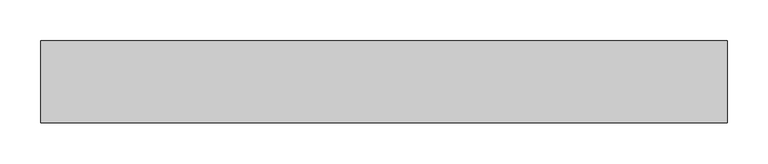
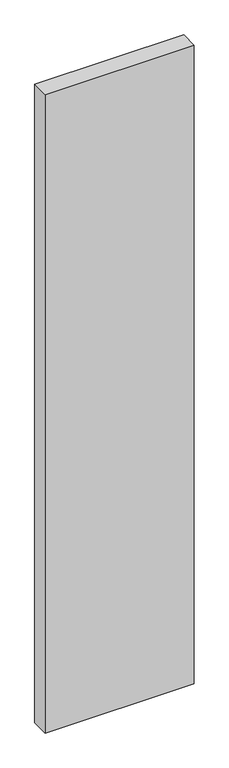
"""IFC4 building model written with IfcOpenShell, lengths in millimetres: proxy geometry."""

import ifcopenshell
import ifcopenshell.guid

model = None  # the IFC model being written
_history = None  # IfcOwnerHistory: only IFC2X3 demands one
_inside = {}  # id of a spatial element -> (the spatial element, [elements in it])
_under = {}  # id of a project, library or spatial element -> (it, [spatial elements below it])
_declared = {}  # id of a project -> (the project, [libraries it declares])
_typed = {}  # id of a type object -> (the type object, [elements of that type])
_made_of = {}  # id of a material, layer set ... -> (it, [elements and type objects made of it])


def new_model(schema):
    """Start an empty IFC model of exactly this schema.

    Asked for "IFC4X3", IfcOpenShell would pick the latest addendum, in which some entities
    have other attributes; the version numbers below select the first issue.
    IFC2X3 requires an IfcOwnerHistory on every rooted entity: one is made here for all.
    """
    global model, _history
    if schema == "IFC4X3":
        model = ifcopenshell.file(schema_version=(4, 3, 0, 0))
    else:
        model = ifcopenshell.file(schema=schema)
    _inside.clear()
    _under.clear()
    _declared.clear()
    _typed.clear()
    _made_of.clear()
    _history = None
    if model.schema == "IFC2X3":
        org = make("IfcOrganization", Name="unknown")
        user = make(
            "IfcPersonAndOrganization",
            ThePerson=make("IfcPerson", FamilyName="unknown"),
            TheOrganization=org,
        )
        app = make(
            "IfcApplication",
            ApplicationDeveloper=org,
            Version="unknown",
            ApplicationFullName="unknown",
            ApplicationIdentifier="unknown",
        )
        _history = make(
            "IfcOwnerHistory",
            OwningUser=user,
            OwningApplication=app,
            ChangeAction="ADDED",
            CreationDate=0,
        )
    return model


def make(cls, **values):
    """One entity of the class cls with the attributes given. An attribute that is None is left unset."""
    return model.create_entity(
        cls, **{name: value for name, value in values.items() if value is not None}
    )


def rooted(cls, **values):
    """An entity with a GlobalId (a new one), such as an element, a storey or a relation."""
    return make(cls, GlobalId=ifcopenshell.guid.new(), OwnerHistory=_history, **values)


def si_unit(unit_type, name, prefix=None):
    """IfcSIUnit, for example si_unit("LENGTHUNIT", "METRE", prefix="MILLI")."""
    return make("IfcSIUnit", UnitType=unit_type, Prefix=prefix, Name=name)


def assignment(units):
    """IfcUnitAssignment: the units of a project."""
    return None if units is None else make("IfcUnitAssignment", Units=units)


def point(xyz):
    """IfcCartesianPoint."""
    return None if xyz is None else make("IfcCartesianPoint", Coordinates=xyz)


def direction(xyz):
    """IfcDirection."""
    return None if xyz is None else make("IfcDirection", DirectionRatios=xyz)


def frame(location, z_axis=None, x_axis=None):
    """IfcAxis2Placement3D, a coordinate frame: its origin and axes. An axis left out is left unset."""
    return make(
        "IfcAxis2Placement3D",
        Location=point(location),
        Axis=direction(z_axis),
        RefDirection=direction(x_axis),
    )


def origin():
    """The frame at (0, 0, 0) with its axes left unset."""
    return frame((0.0, 0.0, 0.0))


def place(relative_to, where):
    """IfcLocalPlacement: puts the frame where relative to a parent placement (None: the world)."""
    return make(
        "IfcLocalPlacement", PlacementRelTo=relative_to, RelativePlacement=where
    )


def context(
    kind, dimensions, precision=None, world=None, true_north=None, identifier=None
):
    """IfcGeometricRepresentationContext, for example the 3D "Model" context."""
    return make(
        "IfcGeometricRepresentationContext",
        ContextIdentifier=identifier,
        ContextType=kind,
        CoordinateSpaceDimension=dimensions,
        Precision=precision,
        WorldCoordinateSystem=world,
        TrueNorth=true_north,
    )


def project(units=None, contexts=None):
    """IfcProject with its units and contexts."""
    return rooted(
        "IfcProject",
        Name="project",
        RepresentationContexts=contexts,
        UnitsInContext=assignment(units),
    )


def spatial(cls, under=None, at=None, **own):
    """A site, building, storey or space (cls), placed at a placement, below another one or the project."""
    s = rooted(cls, ObjectPlacement=at, **own)
    if under is not None:
        _under.setdefault(under.id(), (under, []))[1].append(s)
    return s


def polyline(points):
    """IfcPolyline through the points."""
    return make("IfcPolyline", Points=[point(p) for p in points])


def outline(outer, holes=None, kind="AREA"):
    """IfcArbitraryClosedProfileDef: a profile drawn as a closed curve; with holes, ...WithVoids."""
    if holes is None:
        return make("IfcArbitraryClosedProfileDef", ProfileType=kind, OuterCurve=outer)
    return make(
        "IfcArbitraryProfileDefWithVoids",
        ProfileType=kind,
        OuterCurve=outer,
        InnerCurves=holes,
    )


def extrude(swept, where, along, depth):
    """IfcExtrudedAreaSolid: the profile swept, set in the frame where, extruded along a direction by depth."""
    return make(
        "IfcExtrudedAreaSolid",
        SweptArea=swept,
        Position=where,
        ExtrudedDirection=direction(along),
        Depth=depth,
    )


def shape(context_of_items, identifier, shape_type, items):
    """IfcShapeRepresentation: the items that make up one representation, for example the "Body"."""
    return make(
        "IfcShapeRepresentation",
        ContextOfItems=context_of_items,
        RepresentationIdentifier=identifier,
        RepresentationType=shape_type,
        Items=items,
    )


def source(mapping_origin, context_of_items, identifier, shape_type, items):
    """IfcRepresentationMap: a shape defined once, which mapped items show again and again."""
    return make(
        "IfcRepresentationMap",
        MappingOrigin=mapping_origin,
        MappedRepresentation=shape(context_of_items, identifier, shape_type, items),
    )


def transform(
    local_origin,
    x_axis=None,
    y_axis=None,
    z_axis=None,
    scale=None,
    scale2=None,
    scale3=None,
    uniform=True,
):
    """IfcCartesianTransformationOperator3D, or its non-uniform kind. x_axis, y_axis, z_axis: its Axis1, 2, 3."""
    if uniform:
        return make(
            "IfcCartesianTransformationOperator3D",
            Axis1=direction(x_axis),
            Axis2=direction(y_axis),
            LocalOrigin=point(local_origin),
            Scale=scale,
            Axis3=direction(z_axis),
        )
    return make(
        "IfcCartesianTransformationOperator3DnonUniform",
        Axis1=direction(x_axis),
        Axis2=direction(y_axis),
        LocalOrigin=point(local_origin),
        Scale=scale,
        Axis3=direction(z_axis),
        Scale2=scale2,
        Scale3=scale3,
    )


def mapped(mapping_source, mapping_target):
    """IfcMappedItem: shows the shape of a source again, moved by a transform."""
    return make(
        "IfcMappedItem", MappingSource=mapping_source, MappingTarget=mapping_target
    )


def made_of(thing, what):
    """Note that an element or type object is made of a material, layer set ...; save() writes the relation."""
    if what is not None:
        _made_of.setdefault(what.id(), (what, []))[1].append(thing)
    return thing


def element(
    cls,
    number,
    at=None,
    inside=None,
    cuts=None,
    type_object=None,
    material=None,
    context=None,
    identifier="Body",
    shape_type=None,
    held_by="IfcProductDefinitionShape",
    body=None,
    shapes=None,
    **own,
):
    """One element of the class cls, such as IfcWall. Its Tag is "e" and its number.

    at: its placement. inside: the storey or other place that contains it. cuts: it is an
    opening in that element (IfcRelVoidsElement). A single representation is given by context,
    identifier, shape_type and body (its items); several are given by shapes. held_by: the class
    of the entity that holds the representations. save() writes the other relations.
    """
    e = rooted(cls, Tag="e%d" % number, ObjectPlacement=at, **own)
    if body is not None:
        shapes = [shape(context, identifier, shape_type, body)]
    if shapes is not None:
        e.Representation = make(held_by, Representations=shapes)
    if inside is not None:
        _inside.setdefault(inside.id(), (inside, []))[1].append(e)
    if cuts is not None:
        rooted(
            "IfcRelVoidsElement", RelatingBuildingElement=cuts, RelatedOpeningElement=e
        )
    if type_object is not None:
        _typed.setdefault(type_object.id(), (type_object, []))[1].append(e)
    return made_of(e, material)


def aggregate(whole, parts):
    """IfcRelAggregates: a whole, such as a stair, and the parts it consists of."""
    return rooted("IfcRelAggregates", RelatingObject=whole, RelatedObjects=parts)


def save(model, path):
    """Write the relations noted so far, then the file.

    IfcRelAggregates (storeys below a building ...), IfcRelContainedInSpatialStructure (elements
    in a storey), IfcRelDefinesByType, IfcRelAssociatesMaterial and IfcRelDeclares: one each for
    every whole, place, type object, material and project.
    """
    for whole, parts in _under.values():
        aggregate(whole, parts)
    for where, things in _inside.values():
        rooted(
            "IfcRelContainedInSpatialStructure",
            RelatedElements=things,
            RelatingStructure=where,
        )
    for kind, things in _typed.values():
        rooted("IfcRelDefinesByType", RelatedObjects=things, RelatingType=kind)
    for what, things in _made_of.values():
        rooted("IfcRelAssociatesMaterial", RelatedObjects=things, RelatingMaterial=what)
    for by, libraries in _declared.values():
        rooted("IfcRelDeclares", RelatingContext=by, RelatedDefinitions=libraries)
    model.write(path)


def generic_models_183e039d(model_context):
    return source(origin(), model_context, "Body", "SweptSolid", [
        extrude(outline(polyline([(840.0, 100.0), (840.0, 0.0), (0.0, 0.0), (0.0, 100.0), (840.0, 100.0)])), frame((0.0, 0.0, -3800.0), z_axis=(0.0, 0.0, 1.0), x_axis=(1.0, 0.0, 0.0)), (0.0, 0.0, 1.0), 3800.0),
    ])


if __name__ == "__main__":
    model = new_model("IFC4")
    model_context = context("Model", 3, world=origin())
    ifc_project = project(units=[si_unit("LENGTHUNIT", "METRE", prefix="MILLI")], contexts=[model_context])
    site = spatial("IfcSite", under=ifc_project)
    building = spatial("IfcBuilding", under=site)
    placement = place(None, origin())
    generic_models_shape = generic_models_183e039d(model_context)
    element("IfcBuildingElementProxy", 1, Name="Generic Models", at=placement, inside=building, context=model_context, shape_type="MappedRepresentation", body=[
        mapped(generic_models_shape, transform((0.0, 0.0, 0.0), x_axis=(1.0, 0.0, 0.0), y_axis=(0.0, 1.0, 0.0), z_axis=(0.0, 0.0, 1.0))),
    ])
    save(model, "model.ifc")
